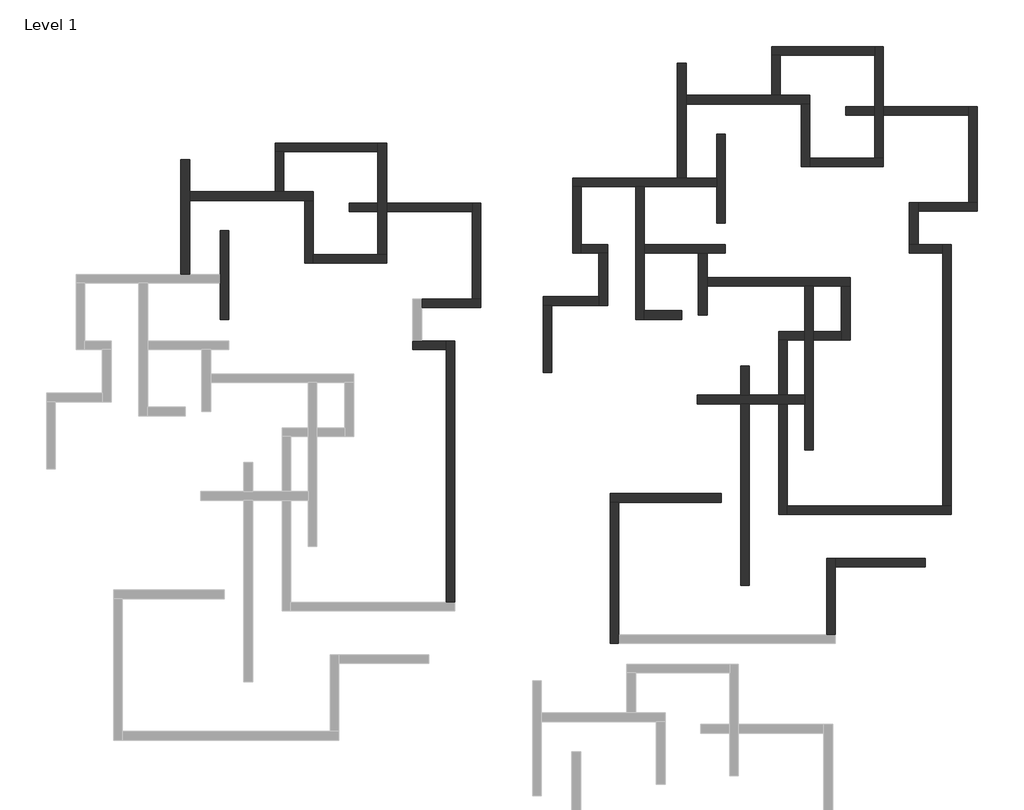
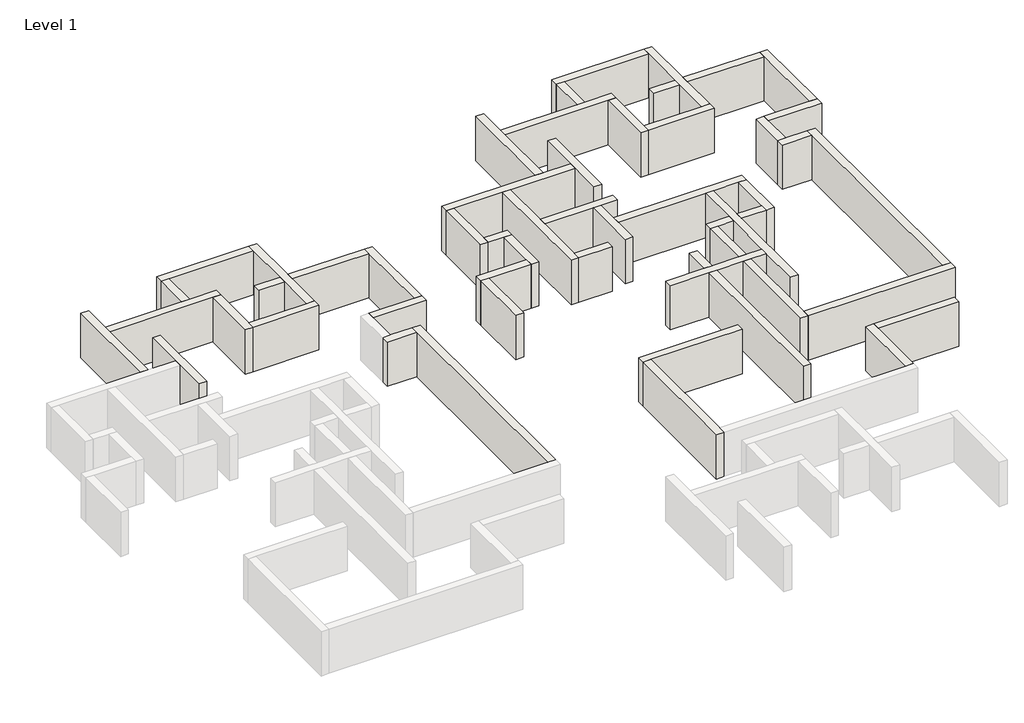
# One storey, part 2 of 2: 49 walls.
"""IFC4 building model written with IfcOpenShell, lengths in millimetres."""

from ifc_helpers import new_model, si_unit, origin, origin_with_axes, place, context, project, spatial, polyline, outline, extrude, faceted_brep, element, save

model = new_model("IFC4")

# Units and contexts
model_context = context("Model", 3, world=origin())
ifc_project = project(units=[si_unit("LENGTHUNIT", "METRE", prefix="MILLI")], contexts=[model_context])

# Site, building, storey
site = spatial("IfcSite", under=ifc_project)
building = spatial("IfcBuilding", under=site)
storey = spatial("IfcBuildingStorey", under=building, Name="Level 1", Elevation=0.0)

# Walls
placement = place(None, origin())
element("IfcWall", 1, ObjectType="Generic - 200mm", at=placement, inside=storey, context=model_context, shape_type="Brep", body=[
    faceted_brep([(-13134.8033404, 18637.4534844, 0.0), (-13134.8033404, 22887.4534844, 0.0), (-13134.8033404, 23387.4534844, 0.0), (-13134.8033404, 25237.4534844, 0.0), (-13134.8033404, 25237.4534844, 3000.0), (-13134.8033404, 23387.4534844, 3000.0), (-13134.8033404, 22887.4534844, 3000.0), (-13134.8033404, 18637.4534844, 3000.0), (-13634.8033404, 18637.4534844, 0.0), (-13634.8033404, 18637.4534844, 3000.0), (-13634.8033404, 25237.4534844, 3000.0), (-13634.8033404, 25237.4534844, 0.0)], [[[0, 1, 2, 3, 4, 5, 6, 7]], [[8, 9, 10, 11]], [[3, 2, 1, 0, 8, 11]], [[4, 3, 11, 10]], [[7, 6, 5, 4, 10, 9]], [[0, 7, 9, 8]]]),
])
element("IfcWall", 2, ObjectType="Generic - 200mm", at=placement, inside=storey, context=model_context, shape_type="Brep", body=[
    faceted_brep([(-13134.8033404, 22887.4534844, 0.0), (-6534.8033404, 22887.4534844, 0.0), (-6034.8033404, 22887.4534844, 0.0), (-6034.8033404, 22887.4534844, 3000.0), (-6534.8033404, 22887.4534844, 3000.0), (-13134.8033404, 22887.4534844, 3000.0), (-13134.8033404, 23387.4534844, 0.0), (-13134.8033404, 23387.4534844, 3000.0), (-8234.8033404, 23387.4534844, 3000.0), (-7734.8033404, 23387.4534844, 3000.0), (-6034.8033404, 23387.4534844, 3000.0), (-6034.8033404, 23387.4534844, 0.0), (-7734.8033404, 23387.4534844, 0.0), (-8234.8033404, 23387.4534844, 0.0)], [[[0, 1, 2, 3, 4, 5]], [[6, 7, 8, 9, 10, 11, 12, 13]], [[2, 1, 0, 6, 13, 12, 11]], [[5, 4, 3, 10, 9, 8, 7]], [[0, 5, 7, 6]], [[3, 2, 11, 10]]]),
])
element("IfcWall", 3, ObjectType="Generic - 200mm", at=placement, inside=storey, context=model_context, shape_type="Brep", body=[
    faceted_brep([(-10884.8033404, 16070.7509089, 0.0), (-10884.8033404, 21170.7509089, 0.0), (-10884.8033404, 21170.7509089, 3000.0), (-10884.8033404, 16070.7509089, 3000.0), (-11384.8033404, 16070.7509089, 0.0), (-11384.8033404, 16070.7509089, 3000.0), (-11384.8033404, 18137.4534844, 3000.0), (-11384.8033404, 18637.4534844, 3000.0), (-11384.8033404, 21170.7509089, 3000.0), (-11384.8033404, 21170.7509089, 0.0), (-11384.8033404, 18637.4534844, 0.0), (-11384.8033404, 18137.4534844, 0.0)], [[[0, 1, 2, 3]], [[4, 5, 6, 7, 8, 9, 10, 11]], [[1, 0, 4, 11, 10, 9]], [[2, 1, 9, 8]], [[3, 2, 8, 7, 6, 5]], [[0, 3, 5, 4]]]),
])
element("IfcWall", 4, ObjectType="Generic - 200mm", at=placement, inside=storey, context=model_context, shape_type="Brep", body=[
    faceted_brep([(-6534.8033404, 22887.4534844, 0.0), (-6534.8033404, 19287.4534844, 0.0), (-6534.8033404, 19287.4534844, 3000.0), (-6534.8033404, 22887.4534844, 3000.0), (-6034.8033404, 22887.4534844, 0.0), (-6034.8033404, 22887.4534844, 3000.0), (-6034.8033404, 19787.4534844, 3000.0), (-6034.8033404, 19287.4534844, 3000.0), (-6034.8033404, 19287.4534844, 0.0), (-6034.8033404, 19787.4534844, 0.0)], [[[0, 1, 2, 3]], [[4, 5, 6, 7, 8, 9]], [[1, 0, 4, 9, 8]], [[3, 2, 7, 6, 5]], [[0, 3, 5, 4]], [[2, 1, 8, 7]]]),
])
element("IfcWall", 5, ObjectType="Generic - 200mm", at=placement, inside=storey, context=model_context, shape_type="Brep", body=[
    faceted_brep([(-6034.8033404, 19287.4534844, 0.0), (-1834.8033404, 19287.4534844, 0.0), (-1834.8033404, 19287.4534844, 3000.0), (-6034.8033404, 19287.4534844, 3000.0), (-6034.8033404, 19787.4534844, 0.0), (-6034.8033404, 19787.4534844, 3000.0), (-2334.8033404, 19787.4534844, 3000.0), (-1834.8033404, 19787.4534844, 3000.0), (-1834.8033404, 19787.4534844, 0.0), (-2334.8033404, 19787.4534844, 0.0)], [[[0, 1, 2, 3]], [[4, 5, 6, 7, 8, 9]], [[1, 0, 4, 9, 8]], [[3, 2, 7, 6, 5]], [[0, 3, 5, 4]], [[2, 1, 8, 7]]]),
])
element("IfcWall", 6, ObjectType="Generic - 200mm", at=placement, inside=storey, context=model_context, shape_type="Brep", body=[
    faceted_brep([(-1834.8033404, 19787.4534844, 0.0), (-1834.8033404, 22237.4534844, 0.0), (-1834.8033404, 22737.4534844, 0.0), (-1834.8033404, 26187.4534844, 0.0), (-1834.8033404, 26187.4534844, 3000.0), (-1834.8033404, 22737.4534844, 3000.0), (-1834.8033404, 22237.4534844, 3000.0), (-1834.8033404, 19787.4534844, 3000.0), (-2334.8033404, 19787.4534844, 0.0), (-2334.8033404, 19787.4534844, 3000.0), (-2334.8033404, 22237.4534844, 3000.0), (-2334.8033404, 22737.4534844, 3000.0), (-2334.8033404, 25687.4534844, 3000.0), (-2334.8033404, 26187.4534844, 3000.0), (-2334.8033404, 26187.4534844, 0.0), (-2334.8033404, 25687.4534844, 0.0), (-2334.8033404, 22737.4534844, 0.0), (-2334.8033404, 22237.4534844, 0.0)], [[[0, 1, 2, 3, 4, 5, 6, 7]], [[8, 9, 10, 11, 12, 13, 14, 15, 16, 17]], [[3, 2, 1, 0, 8, 17, 16, 15, 14]], [[7, 6, 5, 4, 13, 12, 11, 10, 9]], [[0, 7, 9, 8]], [[4, 3, 14, 13]]]),
])
element("IfcWall", 7, ObjectType="Generic - 200mm", at=placement, inside=storey, context=model_context, shape_type="Brep", body=[
    faceted_brep([(-2334.8033404, 26187.4534844, 0.0), (-8234.8033404, 26187.4534844, 0.0), (-8234.8033404, 26187.4534844, 3000.0), (-2334.8033404, 26187.4534844, 3000.0), (-2334.8033404, 25687.4534844, 0.0), (-2334.8033404, 25687.4534844, 3000.0), (-7734.8033404, 25687.4534844, 3000.0), (-8234.8033404, 25687.4534844, 3000.0), (-8234.8033404, 25687.4534844, 0.0), (-7734.8033404, 25687.4534844, 0.0)], [[[0, 1, 2, 3]], [[4, 5, 6, 7, 8, 9]], [[1, 0, 4, 9, 8]], [[3, 2, 7, 6, 5]], [[0, 3, 5, 4]], [[2, 1, 8, 7]]]),
])
element("IfcWall", 8, ObjectType="Generic - 200mm", at=placement, inside=storey, context=model_context, shape_type="SweptSolid", body=[
    extrude(outline(polyline([(-8234.8033404, 23387.4534844), (-8234.8033404, 25687.4534844), (-7734.8033404, 25687.4534844), (-7734.8033404, 23387.4534844), (-8234.8033404, 23387.4534844)])), origin_with_axes(), (0.0, 0.0, 1.0), 3000.0),
])
element("IfcWall", 9, ObjectType="Generic - 200mm", at=placement, inside=storey, context=model_context, shape_type="Brep", body=[
    faceted_brep([(2065.1966596, -162.5465156, 0.0), (2065.1966596, 14837.4534844, 0.0), (2065.1966596, 14837.4534844, 3000.0), (2065.1966596, -162.5465156, 3000.0), (1565.1966596, -162.5465156, 0.0), (1565.1966596, -162.5465156, 3000.0), (1565.1966596, 14337.4534844, 3000.0), (1565.1966596, 14837.4534844, 3000.0), (1565.1966596, 14837.4534844, 0.0), (1565.1966596, 14337.4534844, 0.0)], [[[0, 1, 2, 3]], [[4, 5, 6, 7, 8, 9]], [[1, 0, 4, 9, 8]], [[3, 2, 7, 6, 5]], [[0, 3, 5, 4]], [[2, 1, 8, 7]]]),
])
element("IfcWall", 10, ObjectType="Generic - 200mm", at=placement, inside=storey, context=model_context, shape_type="Brep", body=[
    faceted_brep([(1565.1966596, 14837.4534844, 0.0), (165.1966596, 14837.4534844, 0.0), (-334.8033404, 14837.4534844, 0.0), (-334.8033404, 14837.4534844, 3000.0), (165.1966596, 14837.4534844, 3000.0), (1565.1966596, 14837.4534844, 3000.0), (1565.1966596, 14337.4534844, 0.0), (1565.1966596, 14337.4534844, 3000.0), (-334.8033404, 14337.4534844, 3000.0), (-334.8033404, 14337.4534844, 0.0)], [[[0, 1, 2, 3, 4, 5]], [[6, 7, 8, 9]], [[2, 1, 0, 6, 9]], [[5, 4, 3, 8, 7]], [[0, 5, 7, 6]], [[3, 2, 9, 8]]]),
])
element("IfcWall", 11, ObjectType="Generic - 200mm", at=placement, inside=storey, context=model_context, shape_type="Brep", body=[
    faceted_brep([(165.1966596, 16737.4534844, 0.0), (3565.1966596, 16737.4534844, 0.0), (3565.1966596, 16737.4534844, 3000.0), (165.1966596, 16737.4534844, 3000.0), (165.1966596, 17237.4534844, 0.0), (165.1966596, 17237.4534844, 3000.0), (3065.1966596, 17237.4534844, 3000.0), (3565.1966596, 17237.4534844, 3000.0), (3565.1966596, 17237.4534844, 0.0), (3065.1966596, 17237.4534844, 0.0)], [[[0, 1, 2, 3]], [[4, 5, 6, 7, 8, 9]], [[1, 0, 4, 9, 8]], [[3, 2, 7, 6, 5]], [[0, 3, 5, 4]], [[2, 1, 8, 7]]]),
])
element("IfcWall", 12, ObjectType="Generic - 200mm", at=placement, inside=storey, context=model_context, shape_type="Brep", body=[
    faceted_brep([(3565.1966596, 17237.4534844, 0.0), (3565.1966596, 22737.4534844, 0.0), (3565.1966596, 22737.4534844, 3000.0), (3565.1966596, 17237.4534844, 3000.0), (3065.1966596, 17237.4534844, 0.0), (3065.1966596, 17237.4534844, 3000.0), (3065.1966596, 22237.4534844, 3000.0), (3065.1966596, 22737.4534844, 3000.0), (3065.1966596, 22737.4534844, 0.0), (3065.1966596, 22237.4534844, 0.0)], [[[0, 1, 2, 3]], [[4, 5, 6, 7, 8, 9]], [[1, 0, 4, 9, 8]], [[3, 2, 7, 6, 5]], [[0, 3, 5, 4]], [[2, 1, 8, 7]]]),
])
element("IfcWall", 13, ObjectType="Generic - 200mm", at=placement, inside=storey, context=model_context, shape_type="SweptSolid", body=[
    extrude(outline(polyline([(-3984.8033404, 22237.4534844), (-3984.8033404, 22737.4534844), (-2334.8033404, 22737.4534844), (-2334.8033404, 22237.4534844), (-3984.8033404, 22237.4534844)])), origin_with_axes(), (0.0, 0.0, 1.0), 3000.0),
    extrude(outline(polyline([(3065.1966596, 22737.4534844), (3065.1966596, 22237.4534844), (-1834.8033404, 22237.4534844), (-1834.8033404, 22737.4534844), (3065.1966596, 22737.4534844)])), origin_with_axes(), (0.0, 0.0, 1.0), 3000.0),
])
element("IfcWall", 14, ObjectType="Generic - 200mm", at=placement, inside=storey, context=model_context, shape_type="Brep", body=[
    faceted_brep([(8832.3849796, 23670.9143503, 0.0), (9332.3849796, 23670.9143503, 0.0), (12432.3849796, 23670.9143503, 0.0), (12932.3849796, 23670.9143503, 0.0), (17082.3849796, 23670.9143503, 0.0), (17082.3849796, 23670.9143503, 3000.0), (12932.3849796, 23670.9143503, 3000.0), (12432.3849796, 23670.9143503, 3000.0), (9332.3849796, 23670.9143503, 3000.0), (8832.3849796, 23670.9143503, 3000.0), (8832.3849796, 24170.9143503, 0.0), (8832.3849796, 24170.9143503, 3000.0), (14832.3849796, 24170.9143503, 3000.0), (15332.3849796, 24170.9143503, 3000.0), (17082.3849796, 24170.9143503, 3000.0), (17082.3849796, 24170.9143503, 0.0), (15332.3849796, 24170.9143503, 0.0), (14832.3849796, 24170.9143503, 0.0)], [[[0, 1, 2, 3, 4, 5, 6, 7, 8, 9]], [[10, 11, 12, 13, 14, 15, 16, 17]], [[4, 3, 2, 1, 0, 10, 17, 16, 15]], [[9, 8, 7, 6, 5, 14, 13, 12, 11]], [[0, 9, 11, 10]], [[5, 4, 15, 14]]]),
])
element("IfcWall", 15, ObjectType="Generic - 200mm", at=placement, inside=storey, context=model_context, shape_type="Brep", body=[
    faceted_brep([(12432.3849796, 23670.9143503, 0.0), (12432.3849796, 16070.9143503, 0.0), (12432.3849796, 16070.9143503, 3000.0), (12432.3849796, 23670.9143503, 3000.0), (12932.3849796, 23670.9143503, 0.0), (12932.3849796, 23670.9143503, 3000.0), (12932.3849796, 20370.9143503, 3000.0), (12932.3849796, 19870.9143503, 3000.0), (12932.3849796, 16570.9143503, 3000.0), (12932.3849796, 16070.9143503, 3000.0), (12932.3849796, 16070.9143503, 0.0), (12932.3849796, 16570.9143503, 0.0), (12932.3849796, 19870.9143503, 0.0), (12932.3849796, 20370.9143503, 0.0)], [[[0, 1, 2, 3]], [[4, 5, 6, 7, 8, 9, 10, 11, 12, 13]], [[1, 0, 4, 13, 12, 11, 10]], [[3, 2, 9, 8, 7, 6, 5]], [[0, 3, 5, 4]], [[2, 1, 10, 9]]]),
])
element("IfcWall", 16, ObjectType="Generic - 200mm", at=placement, inside=storey, context=model_context, shape_type="Brep", body=[
    faceted_brep([(12932.3849796, 19870.9143503, 0.0), (16032.3849796, 19870.9143503, 0.0), (16532.3849796, 19870.9143503, 0.0), (17582.3849796, 19870.9143503, 0.0), (17582.3849796, 19870.9143503, 3000.0), (16532.3849796, 19870.9143503, 3000.0), (16032.3849796, 19870.9143503, 3000.0), (12932.3849796, 19870.9143503, 3000.0), (12932.3849796, 20370.9143503, 0.0), (12932.3849796, 20370.9143503, 3000.0), (17582.3849796, 20370.9143503, 3000.0), (17582.3849796, 20370.9143503, 0.0)], [[[0, 1, 2, 3, 4, 5, 6, 7]], [[8, 9, 10, 11]], [[3, 2, 1, 0, 8, 11]], [[4, 3, 11, 10]], [[7, 6, 5, 4, 10, 9]], [[0, 7, 9, 8]]]),
])
element("IfcWall", 17, ObjectType="Generic - 200mm", at=placement, inside=storey, context=model_context, shape_type="Brep", body=[
    faceted_brep([(16032.3849796, 19870.9143503, 0.0), (16032.3849796, 16320.9143503, 0.0), (16032.3849796, 16320.9143503, 3000.0), (16032.3849796, 19870.9143503, 3000.0), (16532.3849796, 19870.9143503, 0.0), (16532.3849796, 19870.9143503, 3000.0), (16532.3849796, 18470.9143503, 3000.0), (16532.3849796, 17970.9143503, 3000.0), (16532.3849796, 16320.9143503, 3000.0), (16532.3849796, 16320.9143503, 0.0), (16532.3849796, 17970.9143503, 0.0), (16532.3849796, 18470.9143503, 0.0)], [[[0, 1, 2, 3]], [[4, 5, 6, 7, 8, 9, 10, 11]], [[1, 0, 4, 11, 10, 9]], [[2, 1, 9, 8]], [[3, 2, 8, 7, 6, 5]], [[0, 3, 5, 4]]]),
])
element("IfcWall", 18, ObjectType="Generic - 200mm", at=placement, inside=storey, context=model_context, shape_type="Brep", body=[
    faceted_brep([(8832.3849796, 23670.9143503, 0.0), (8832.3849796, 19870.9143503, 0.0), (8832.3849796, 19870.9143503, 3000.0), (8832.3849796, 23670.9143503, 3000.0), (9332.3849796, 23670.9143503, 0.0), (9332.3849796, 23670.9143503, 3000.0), (9332.3849796, 20370.9143503, 3000.0), (9332.3849796, 19870.9143503, 3000.0), (9332.3849796, 19870.9143503, 0.0), (9332.3849796, 20370.9143503, 0.0)], [[[0, 1, 2, 3]], [[4, 5, 6, 7, 8, 9]], [[1, 0, 4, 9, 8]], [[3, 2, 7, 6, 5]], [[0, 3, 5, 4]], [[2, 1, 8, 7]]]),
])
element("IfcWall", 19, ObjectType="Generic - 200mm", at=placement, inside=storey, context=model_context, shape_type="Brep", body=[
    faceted_brep([(9332.3849796, 19870.9143503, 0.0), (10332.3849796, 19870.9143503, 0.0), (10832.3849796, 19870.9143503, 0.0), (10832.3849796, 19870.9143503, 3000.0), (10332.3849796, 19870.9143503, 3000.0), (9332.3849796, 19870.9143503, 3000.0), (9332.3849796, 20370.9143503, 0.0), (9332.3849796, 20370.9143503, 3000.0), (10832.3849796, 20370.9143503, 3000.0), (10832.3849796, 20370.9143503, 0.0)], [[[0, 1, 2, 3, 4, 5]], [[6, 7, 8, 9]], [[2, 1, 0, 6, 9]], [[5, 4, 3, 8, 7]], [[0, 5, 7, 6]], [[3, 2, 9, 8]]]),
])
element("IfcWall", 20, ObjectType="Generic - 200mm", at=placement, inside=storey, context=model_context, shape_type="Brep", body=[
    faceted_brep([(10332.3849796, 19870.9143503, 0.0), (10332.3849796, 17370.9143503, 0.0), (10332.3849796, 16870.9143503, 0.0), (10332.3849796, 16870.9143503, 3000.0), (10332.3849796, 17370.9143503, 3000.0), (10332.3849796, 19870.9143503, 3000.0), (10832.3849796, 19870.9143503, 0.0), (10832.3849796, 19870.9143503, 3000.0), (10832.3849796, 16870.9143503, 3000.0), (10832.3849796, 16870.9143503, 0.0)], [[[0, 1, 2, 3, 4, 5]], [[6, 7, 8, 9]], [[2, 1, 0, 6, 9]], [[5, 4, 3, 8, 7]], [[0, 5, 7, 6]], [[3, 2, 9, 8]]]),
])
element("IfcWall", 21, ObjectType="Generic - 200mm", at=placement, inside=storey, context=model_context, shape_type="Brep", body=[
    faceted_brep([(10332.3849796, 17370.9143503, 0.0), (7132.3849796, 17370.9143503, 0.0), (7132.3849796, 17370.9143503, 3000.0), (10332.3849796, 17370.9143503, 3000.0), (10332.3849796, 16870.9143503, 0.0), (10332.3849796, 16870.9143503, 3000.0), (7632.3849796, 16870.9143503, 3000.0), (7132.3849796, 16870.9143503, 3000.0), (7132.3849796, 16870.9143503, 0.0), (7632.3849796, 16870.9143503, 0.0)], [[[0, 1, 2, 3]], [[4, 5, 6, 7, 8, 9]], [[1, 0, 4, 9, 8]], [[3, 2, 7, 6, 5]], [[0, 3, 5, 4]], [[2, 1, 8, 7]]]),
])
element("IfcWall", 22, ObjectType="Generic - 200mm", at=placement, inside=storey, context=model_context, shape_type="SweptSolid", body=[
    extrude(outline(polyline([(7132.3849796, 13020.9143503), (7132.3849796, 16870.9143503), (7632.3849796, 16870.9143503), (7632.3849796, 13020.9143503), (7132.3849796, 13020.9143503)])), origin_with_axes(), (0.0, 0.0, 1.0), 3000.0),
])
element("IfcWall", 23, ObjectType="Generic - 200mm", at=placement, inside=storey, context=model_context, shape_type="SweptSolid", body=[
    extrude(outline(polyline([(15082.3849796, 16070.9143503), (12932.3849796, 16070.9143503), (12932.3849796, 16570.9143503), (15082.3849796, 16570.9143503), (15082.3849796, 16070.9143503)])), origin_with_axes(), (0.0, 0.0, 1.0), 3000.0),
])
element("IfcWall", 24, ObjectType="Generic - 200mm", at=placement, inside=storey, context=model_context, shape_type="Brep", body=[
    faceted_brep([(16532.3849796, 17970.9143503, 0.0), (22132.3849796, 17970.9143503, 0.0), (22632.3849796, 17970.9143503, 0.0), (24232.3849796, 17970.9143503, 0.0), (24732.3849796, 17970.9143503, 0.0), (24732.3849796, 17970.9143503, 3000.0), (24232.3849796, 17970.9143503, 3000.0), (22632.3849796, 17970.9143503, 3000.0), (22132.3849796, 17970.9143503, 3000.0), (16532.3849796, 17970.9143503, 3000.0), (16532.3849796, 18470.9143503, 0.0), (16532.3849796, 18470.9143503, 3000.0), (24732.3849796, 18470.9143503, 3000.0), (24732.3849796, 18470.9143503, 0.0)], [[[0, 1, 2, 3, 4, 5, 6, 7, 8, 9]], [[10, 11, 12, 13]], [[4, 3, 2, 1, 0, 10, 13]], [[9, 8, 7, 6, 5, 12, 11]], [[0, 9, 11, 10]], [[5, 4, 13, 12]]]),
])
element("IfcWall", 25, ObjectType="Generic - 200mm", at=placement, inside=storey, context=model_context, shape_type="Brep", body=[
    faceted_brep([(22132.3849796, 17970.9143503, 0.0), (22132.3849796, 15370.9143503, 0.0), (22132.3849796, 14870.9143503, 0.0), (22132.3849796, 11720.9143503, 0.0), (22132.3849796, 11220.9143503, 0.0), (22132.3849796, 8570.9143503, 0.0), (22132.3849796, 8570.9143503, 3000.0), (22132.3849796, 11220.9143503, 3000.0), (22132.3849796, 11720.9143503, 3000.0), (22132.3849796, 14870.9143503, 3000.0), (22132.3849796, 15370.9143503, 3000.0), (22132.3849796, 17970.9143503, 3000.0), (22632.3849796, 17970.9143503, 0.0), (22632.3849796, 17970.9143503, 3000.0), (22632.3849796, 15370.9143503, 3000.0), (22632.3849796, 14870.9143503, 3000.0), (22632.3849796, 8570.9143503, 3000.0), (22632.3849796, 8570.9143503, 0.0), (22632.3849796, 14870.9143503, 0.0), (22632.3849796, 15370.9143503, 0.0)], [[[0, 1, 2, 3, 4, 5, 6, 7, 8, 9, 10, 11]], [[12, 13, 14, 15, 16, 17, 18, 19]], [[5, 4, 3, 2, 1, 0, 12, 19, 18, 17]], [[6, 5, 17, 16]], [[11, 10, 9, 8, 7, 6, 16, 15, 14, 13]], [[0, 11, 13, 12]]]),
])
element("IfcWall", 26, ObjectType="Generic - 200mm", at=placement, inside=storey, context=model_context, shape_type="Brep", body=[
    faceted_brep([(22132.3849796, 11720.9143503, 0.0), (21132.3849796, 11720.9143503, 0.0), (20632.3849796, 11720.9143503, 0.0), (18951.9708687, 11720.9143503, 0.0), (18451.9708687, 11720.9143503, 0.0), (15982.3849796, 11720.9143503, 0.0), (15982.3849796, 11720.9143503, 3000.0), (18451.9708687, 11720.9143503, 3000.0), (18951.9708687, 11720.9143503, 3000.0), (20632.3849796, 11720.9143503, 3000.0), (21132.3849796, 11720.9143503, 3000.0), (22132.3849796, 11720.9143503, 3000.0), (22132.3849796, 11220.9143503, 0.0), (22132.3849796, 11220.9143503, 3000.0), (21132.3849796, 11220.9143503, 3000.0), (20632.3849796, 11220.9143503, 3000.0), (18951.9708687, 11220.9143503, 3000.0), (18451.9708687, 11220.9143503, 3000.0), (15982.3849796, 11220.9143503, 3000.0), (15982.3849796, 11220.9143503, 0.0), (18451.9708687, 11220.9143503, 0.0), (18951.9708687, 11220.9143503, 0.0), (20632.3849796, 11220.9143503, 0.0), (21132.3849796, 11220.9143503, 0.0)], [[[0, 1, 2, 3, 4, 5, 6, 7, 8, 9, 10, 11]], [[12, 13, 14, 15, 16, 17, 18, 19, 20, 21, 22, 23]], [[5, 4, 3, 2, 1, 0, 12, 23, 22, 21, 20, 19]], [[6, 5, 19, 18]], [[11, 10, 9, 8, 7, 6, 18, 17, 16, 15, 14, 13]], [[0, 11, 13, 12]]]),
])
element("IfcWall", 27, ObjectType="Generic - 200mm", at=placement, inside=storey, context=model_context, shape_type="Brep", body=[
    faceted_brep([(15332.3849796, 24170.9143503, 0.0), (15332.3849796, 28420.9143503, 0.0), (15332.3849796, 28920.9143503, 0.0), (15332.3849796, 30770.9143503, 0.0), (15332.3849796, 30770.9143503, 3000.0), (15332.3849796, 28920.9143503, 3000.0), (15332.3849796, 28420.9143503, 3000.0), (15332.3849796, 24170.9143503, 3000.0), (14832.3849796, 24170.9143503, 0.0), (14832.3849796, 24170.9143503, 3000.0), (14832.3849796, 30770.9143503, 3000.0), (14832.3849796, 30770.9143503, 0.0)], [[[0, 1, 2, 3, 4, 5, 6, 7]], [[8, 9, 10, 11]], [[3, 2, 1, 0, 8, 11]], [[4, 3, 11, 10]], [[7, 6, 5, 4, 10, 9]], [[0, 7, 9, 8]]]),
])
element("IfcWall", 28, ObjectType="Generic - 200mm", at=placement, inside=storey, context=model_context, shape_type="Brep", body=[
    faceted_brep([(15332.3849796, 28420.9143503, 0.0), (21932.3849796, 28420.9143503, 0.0), (22432.3849796, 28420.9143503, 0.0), (22432.3849796, 28420.9143503, 3000.0), (21932.3849796, 28420.9143503, 3000.0), (15332.3849796, 28420.9143503, 3000.0), (15332.3849796, 28920.9143503, 0.0), (15332.3849796, 28920.9143503, 3000.0), (20232.3849796, 28920.9143503, 3000.0), (20732.3849796, 28920.9143503, 3000.0), (22432.3849796, 28920.9143503, 3000.0), (22432.3849796, 28920.9143503, 0.0), (20732.3849796, 28920.9143503, 0.0), (20232.3849796, 28920.9143503, 0.0)], [[[0, 1, 2, 3, 4, 5]], [[6, 7, 8, 9, 10, 11, 12, 13]], [[2, 1, 0, 6, 13, 12, 11]], [[5, 4, 3, 10, 9, 8, 7]], [[0, 5, 7, 6]], [[3, 2, 11, 10]]]),
])
element("IfcWall", 29, ObjectType="Generic - 200mm", at=placement, inside=storey, context=model_context, shape_type="Brep", body=[
    faceted_brep([(17582.3849796, 21604.2117749, 0.0), (17582.3849796, 26704.2117749, 0.0), (17582.3849796, 26704.2117749, 3000.0), (17582.3849796, 21604.2117749, 3000.0), (17082.3849796, 21604.2117749, 0.0), (17082.3849796, 21604.2117749, 3000.0), (17082.3849796, 23670.9143503, 3000.0), (17082.3849796, 24170.9143503, 3000.0), (17082.3849796, 26704.2117749, 3000.0), (17082.3849796, 26704.2117749, 0.0), (17082.3849796, 24170.9143503, 0.0), (17082.3849796, 23670.9143503, 0.0)], [[[0, 1, 2, 3]], [[4, 5, 6, 7, 8, 9, 10, 11]], [[1, 0, 4, 11, 10, 9]], [[2, 1, 9, 8]], [[3, 2, 8, 7, 6, 5]], [[0, 3, 5, 4]]]),
])
element("IfcWall", 30, ObjectType="Generic - 200mm", at=placement, inside=storey, context=model_context, shape_type="SweptSolid", body=[
    extrude(outline(polyline([(18951.9708687, 798.0003058), (18451.9708687, 798.0003058), (18451.9708687, 11220.9143503), (18951.9708687, 11220.9143503), (18951.9708687, 798.0003058)])), origin_with_axes(), (0.0, 0.0, 1.0), 3000.0),
    extrude(outline(polyline([(18451.9708687, 13398.0003058), (18951.9708687, 13398.0003058), (18951.9708687, 11720.9143503), (18451.9708687, 11720.9143503), (18451.9708687, 13398.0003058)])), origin_with_axes(), (0.0, 0.0, 1.0), 3000.0),
])
element("IfcWall", 31, ObjectType="Generic - 200mm", at=placement, inside=storey, context=model_context, shape_type="Brep", body=[
    faceted_brep([(21932.3849796, 28420.9143503, 0.0), (21932.3849796, 24820.9143503, 0.0), (21932.3849796, 24820.9143503, 3000.0), (21932.3849796, 28420.9143503, 3000.0), (22432.3849796, 28420.9143503, 0.0), (22432.3849796, 28420.9143503, 3000.0), (22432.3849796, 25320.9143503, 3000.0), (22432.3849796, 24820.9143503, 3000.0), (22432.3849796, 24820.9143503, 0.0), (22432.3849796, 25320.9143503, 0.0)], [[[0, 1, 2, 3]], [[4, 5, 6, 7, 8, 9]], [[1, 0, 4, 9, 8]], [[3, 2, 7, 6, 5]], [[0, 3, 5, 4]], [[2, 1, 8, 7]]]),
])
element("IfcWall", 32, ObjectType="Generic - 200mm", at=placement, inside=storey, context=model_context, shape_type="Brep", body=[
    faceted_brep([(22432.3849796, 24820.9143503, 0.0), (26632.3849796, 24820.9143503, 0.0), (26632.3849796, 24820.9143503, 3000.0), (22432.3849796, 24820.9143503, 3000.0), (22432.3849796, 25320.9143503, 0.0), (22432.3849796, 25320.9143503, 3000.0), (26132.3849796, 25320.9143503, 3000.0), (26632.3849796, 25320.9143503, 3000.0), (26632.3849796, 25320.9143503, 0.0), (26132.3849796, 25320.9143503, 0.0)], [[[0, 1, 2, 3]], [[4, 5, 6, 7, 8, 9]], [[1, 0, 4, 9, 8]], [[3, 2, 7, 6, 5]], [[0, 3, 5, 4]], [[2, 1, 8, 7]]]),
])
element("IfcWall", 33, ObjectType="Generic - 200mm", at=placement, inside=storey, context=model_context, shape_type="Brep", body=[
    faceted_brep([(26632.3849796, 25320.9143503, 0.0), (26632.3849796, 27770.9143503, 0.0), (26632.3849796, 28270.9143503, 0.0), (26632.3849796, 31720.9143503, 0.0), (26632.3849796, 31720.9143503, 3000.0), (26632.3849796, 28270.9143503, 3000.0), (26632.3849796, 27770.9143503, 3000.0), (26632.3849796, 25320.9143503, 3000.0), (26132.3849796, 25320.9143503, 0.0), (26132.3849796, 25320.9143503, 3000.0), (26132.3849796, 27770.9143503, 3000.0), (26132.3849796, 28270.9143503, 3000.0), (26132.3849796, 31220.9143503, 3000.0), (26132.3849796, 31720.9143503, 3000.0), (26132.3849796, 31720.9143503, 0.0), (26132.3849796, 31220.9143503, 0.0), (26132.3849796, 28270.9143503, 0.0), (26132.3849796, 27770.9143503, 0.0)], [[[0, 1, 2, 3, 4, 5, 6, 7]], [[8, 9, 10, 11, 12, 13, 14, 15, 16, 17]], [[3, 2, 1, 0, 8, 17, 16, 15, 14]], [[7, 6, 5, 4, 13, 12, 11, 10, 9]], [[0, 7, 9, 8]], [[4, 3, 14, 13]]]),
])
element("IfcWall", 34, ObjectType="Generic - 200mm", at=placement, inside=storey, context=model_context, shape_type="Brep", body=[
    faceted_brep([(26132.3849796, 31720.9143503, 0.0), (20232.3849796, 31720.9143503, 0.0), (20232.3849796, 31720.9143503, 3000.0), (26132.3849796, 31720.9143503, 3000.0), (26132.3849796, 31220.9143503, 0.0), (26132.3849796, 31220.9143503, 3000.0), (20732.3849796, 31220.9143503, 3000.0), (20232.3849796, 31220.9143503, 3000.0), (20232.3849796, 31220.9143503, 0.0), (20732.3849796, 31220.9143503, 0.0)], [[[0, 1, 2, 3]], [[4, 5, 6, 7, 8, 9]], [[1, 0, 4, 9, 8]], [[3, 2, 7, 6, 5]], [[0, 3, 5, 4]], [[2, 1, 8, 7]]]),
])
element("IfcWall", 35, ObjectType="Generic - 200mm", at=placement, inside=storey, context=model_context, shape_type="SweptSolid", body=[
    extrude(outline(polyline([(20232.3849796, 28920.9143503), (20232.3849796, 31220.9143503), (20732.3849796, 31220.9143503), (20732.3849796, 28920.9143503), (20232.3849796, 28920.9143503)])), origin_with_axes(), (0.0, 0.0, 1.0), 3000.0),
])
element("IfcWall", 36, ObjectType="Generic - 200mm", at=placement, inside=storey, context=model_context, shape_type="Brep", body=[
    faceted_brep([(24232.3849796, 17970.9143503, 0.0), (24232.3849796, 15370.9143503, 0.0), (24232.3849796, 14870.9143503, 0.0), (24232.3849796, 14870.9143503, 3000.0), (24232.3849796, 15370.9143503, 3000.0), (24232.3849796, 17970.9143503, 3000.0), (24732.3849796, 17970.9143503, 0.0), (24732.3849796, 17970.9143503, 3000.0), (24732.3849796, 14870.9143503, 3000.0), (24732.3849796, 14870.9143503, 0.0)], [[[0, 1, 2, 3, 4, 5]], [[6, 7, 8, 9]], [[2, 1, 0, 6, 9]], [[5, 4, 3, 8, 7]], [[0, 5, 7, 6]], [[3, 2, 9, 8]]]),
])
element("IfcWall", 37, ObjectType="Generic - 200mm", at=placement, inside=storey, context=model_context, shape_type="Brep", body=[
    faceted_brep([(24232.3849796, 15370.9143503, 3000.0), (24232.3849796, 15370.9143503, 0.0), (22632.3849796, 15370.9143503, 0.0), (22632.3849796, 15370.9143503, 3000.0), (24232.3849796, 14870.9143503, 0.0), (24232.3849796, 14870.9143503, 3000.0), (22632.3849796, 14870.9143503, 3000.0), (22632.3849796, 14870.9143503, 0.0)], [[[0, 1, 2, 3]], [[4, 5, 6, 7]], [[1, 4, 7, 2]], [[5, 0, 3, 6]], [[1, 0, 5, 4]], [[3, 2, 7, 6]]]),
    faceted_brep([(20632.3849796, 15370.9143503, 0.0), (20632.3849796, 15370.9143503, 3000.0), (22132.3849796, 15370.9143503, 3000.0), (22132.3849796, 15370.9143503, 0.0), (20632.3849796, 14870.9143503, 3000.0), (20632.3849796, 14870.9143503, 0.0), (21132.3849796, 14870.9143503, 0.0), (22132.3849796, 14870.9143503, 0.0), (22132.3849796, 14870.9143503, 3000.0), (21132.3849796, 14870.9143503, 3000.0)], [[[0, 1, 2, 3]], [[4, 5, 6, 7, 8, 9]], [[5, 0, 3, 7, 6]], [[1, 4, 9, 8, 2]], [[3, 2, 8, 7]], [[1, 0, 5, 4]]]),
])
element("IfcWall", 38, ObjectType="Generic - 200mm", at=placement, inside=storey, context=model_context, shape_type="Brep", body=[
    faceted_brep([(20632.3849796, 14870.9143503, 3000.0), (20632.3849796, 14870.9143503, 0.0), (20632.3849796, 11720.9143503, 0.0), (20632.3849796, 11720.9143503, 3000.0), (21132.3849796, 14870.9143503, 0.0), (21132.3849796, 14870.9143503, 3000.0), (21132.3849796, 11720.9143503, 3000.0), (21132.3849796, 11720.9143503, 0.0)], [[[0, 1, 2, 3]], [[4, 5, 6, 7]], [[1, 4, 7, 2]], [[5, 0, 3, 6]], [[1, 0, 5, 4]], [[3, 2, 7, 6]]]),
    faceted_brep([(20632.3849796, 4870.9143503, 0.0), (20632.3849796, 4870.9143503, 3000.0), (20632.3849796, 11220.9143503, 3000.0), (20632.3849796, 11220.9143503, 0.0), (21132.3849796, 4870.9143503, 3000.0), (21132.3849796, 4870.9143503, 0.0), (21132.3849796, 5370.9143503, 0.0), (21132.3849796, 11220.9143503, 0.0), (21132.3849796, 11220.9143503, 3000.0), (21132.3849796, 5370.9143503, 3000.0)], [[[0, 1, 2, 3]], [[4, 5, 6, 7, 8, 9]], [[5, 0, 3, 7, 6]], [[1, 4, 9, 8, 2]], [[3, 2, 8, 7]], [[1, 0, 5, 4]]]),
])
element("IfcWall", 39, ObjectType="Generic - 200mm", at=placement, inside=storey, context=model_context, shape_type="Brep", body=[
    faceted_brep([(21132.3849796, 4870.9143503, 0.0), (30532.3849796, 4870.9143503, 0.0), (30532.3849796, 4870.9143503, 3000.0), (21132.3849796, 4870.9143503, 3000.0), (21132.3849796, 5370.9143503, 0.0), (21132.3849796, 5370.9143503, 3000.0), (30032.3849796, 5370.9143503, 3000.0), (30532.3849796, 5370.9143503, 3000.0), (30532.3849796, 5370.9143503, 0.0), (30032.3849796, 5370.9143503, 0.0)], [[[0, 1, 2, 3]], [[4, 5, 6, 7, 8, 9]], [[1, 0, 4, 9, 8]], [[3, 2, 7, 6, 5]], [[0, 3, 5, 4]], [[2, 1, 8, 7]]]),
])
element("IfcWall", 40, ObjectType="Generic - 200mm", at=placement, inside=storey, context=model_context, shape_type="Brep", body=[
    faceted_brep([(30532.3849796, 5370.9143503, 0.0), (30532.3849796, 20370.9143503, 0.0), (30532.3849796, 20370.9143503, 3000.0), (30532.3849796, 5370.9143503, 3000.0), (30032.3849796, 5370.9143503, 0.0), (30032.3849796, 5370.9143503, 3000.0), (30032.3849796, 19870.9143503, 3000.0), (30032.3849796, 20370.9143503, 3000.0), (30032.3849796, 20370.9143503, 0.0), (30032.3849796, 19870.9143503, 0.0)], [[[0, 1, 2, 3]], [[4, 5, 6, 7, 8, 9]], [[1, 0, 4, 9, 8]], [[3, 2, 7, 6, 5]], [[0, 3, 5, 4]], [[2, 1, 8, 7]]]),
])
element("IfcWall", 41, ObjectType="Generic - 200mm", at=placement, inside=storey, context=model_context, shape_type="Brep", body=[
    faceted_brep([(30032.3849796, 20370.9143503, 0.0), (28632.3849796, 20370.9143503, 0.0), (28132.3849796, 20370.9143503, 0.0), (28132.3849796, 20370.9143503, 3000.0), (28632.3849796, 20370.9143503, 3000.0), (30032.3849796, 20370.9143503, 3000.0), (30032.3849796, 19870.9143503, 0.0), (30032.3849796, 19870.9143503, 3000.0), (28132.3849796, 19870.9143503, 3000.0), (28132.3849796, 19870.9143503, 0.0)], [[[0, 1, 2, 3, 4, 5]], [[6, 7, 8, 9]], [[2, 1, 0, 6, 9]], [[5, 4, 3, 8, 7]], [[0, 5, 7, 6]], [[3, 2, 9, 8]]]),
])
element("IfcWall", 42, ObjectType="Generic - 200mm", at=placement, inside=storey, context=model_context, shape_type="Brep", body=[
    faceted_brep([(28632.3849796, 20370.9143503, 0.0), (28632.3849796, 22270.9143503, 0.0), (28632.3849796, 22770.9143503, 0.0), (28632.3849796, 22770.9143503, 3000.0), (28632.3849796, 22270.9143503, 3000.0), (28632.3849796, 20370.9143503, 3000.0), (28132.3849796, 20370.9143503, 0.0), (28132.3849796, 20370.9143503, 3000.0), (28132.3849796, 22770.9143503, 3000.0), (28132.3849796, 22770.9143503, 0.0)], [[[0, 1, 2, 3, 4, 5]], [[6, 7, 8, 9]], [[2, 1, 0, 6, 9]], [[5, 4, 3, 8, 7]], [[0, 5, 7, 6]], [[3, 2, 9, 8]]]),
])
element("IfcWall", 43, ObjectType="Generic - 200mm", at=placement, inside=storey, context=model_context, shape_type="Brep", body=[
    faceted_brep([(28632.3849796, 22270.9143503, 0.0), (32032.3849796, 22270.9143503, 0.0), (32032.3849796, 22270.9143503, 3000.0), (28632.3849796, 22270.9143503, 3000.0), (28632.3849796, 22770.9143503, 0.0), (28632.3849796, 22770.9143503, 3000.0), (31532.3849796, 22770.9143503, 3000.0), (32032.3849796, 22770.9143503, 3000.0), (32032.3849796, 22770.9143503, 0.0), (31532.3849796, 22770.9143503, 0.0)], [[[0, 1, 2, 3]], [[4, 5, 6, 7, 8, 9]], [[1, 0, 4, 9, 8]], [[3, 2, 7, 6, 5]], [[0, 3, 5, 4]], [[2, 1, 8, 7]]]),
])
element("IfcWall", 44, ObjectType="Generic - 200mm", at=placement, inside=storey, context=model_context, shape_type="Brep", body=[
    faceted_brep([(32032.3849796, 22770.9143503, 0.0), (32032.3849796, 28270.9143503, 0.0), (32032.3849796, 28270.9143503, 3000.0), (32032.3849796, 22770.9143503, 3000.0), (31532.3849796, 22770.9143503, 0.0), (31532.3849796, 22770.9143503, 3000.0), (31532.3849796, 27770.9143503, 3000.0), (31532.3849796, 28270.9143503, 3000.0), (31532.3849796, 28270.9143503, 0.0), (31532.3849796, 27770.9143503, 0.0)], [[[0, 1, 2, 3]], [[4, 5, 6, 7, 8, 9]], [[1, 0, 4, 9, 8]], [[3, 2, 7, 6, 5]], [[0, 3, 5, 4]], [[2, 1, 8, 7]]]),
])
element("IfcWall", 45, ObjectType="Generic - 200mm", at=placement, inside=storey, context=model_context, shape_type="SweptSolid", body=[
    extrude(outline(polyline([(24482.3849796, 27770.9143503), (24482.3849796, 28270.9143503), (26132.3849796, 28270.9143503), (26132.3849796, 27770.9143503), (24482.3849796, 27770.9143503)])), origin_with_axes(), (0.0, 0.0, 1.0), 3000.0),
    extrude(outline(polyline([(31532.3849796, 28270.9143503), (31532.3849796, 27770.9143503), (26632.3849796, 27770.9143503), (26632.3849796, 28270.9143503), (31532.3849796, 28270.9143503)])), origin_with_axes(), (0.0, 0.0, 1.0), 3000.0),
])
element("IfcWall", 46, ObjectType="Generic - 200mm", at=placement, inside=storey, context=model_context, shape_type="Brep", body=[
    faceted_brep([(17332.3849796, 6070.9143503, 0.0), (10982.3849796, 6070.9143503, 0.0), (10982.3849796, 6070.9143503, 3000.0), (17332.3849796, 6070.9143503, 3000.0), (17332.3849796, 5570.9143503, 0.0), (17332.3849796, 5570.9143503, 3000.0), (11482.3849796, 5570.9143503, 3000.0), (10982.3849796, 5570.9143503, 3000.0), (10982.3849796, 5570.9143503, 0.0), (11482.3849796, 5570.9143503, 0.0)], [[[0, 1, 2, 3]], [[4, 5, 6, 7, 8, 9]], [[1, 0, 4, 9, 8]], [[3, 2, 7, 6, 5]], [[0, 3, 5, 4]], [[2, 1, 8, 7]]]),
])
element("IfcWall", 47, ObjectType="Generic - 200mm", at=placement, inside=storey, context=model_context, shape_type="Brep", body=[
    faceted_brep([(10982.3849796, 5570.9143503, 0.0), (10982.3849796, -2529.0856497, 0.0), (10982.3849796, -2529.0856497, 3000.0), (10982.3849796, 5570.9143503, 3000.0), (11482.3849796, 5570.9143503, 0.0), (11482.3849796, 5570.9143503, 3000.0), (11482.3849796, -2029.0856497, 3000.0), (11482.3849796, -2529.0856497, 3000.0), (11482.3849796, -2529.0856497, 0.0), (11482.3849796, -2029.0856497, 0.0)], [[[0, 1, 2, 3]], [[4, 5, 6, 7, 8, 9]], [[1, 0, 4, 9, 8]], [[3, 2, 7, 6, 5]], [[0, 3, 5, 4]], [[2, 1, 8, 7]]]),
])
element("IfcWall", 48, ObjectType="Generic - 200mm", at=placement, inside=storey, context=model_context, shape_type="Brep", body=[
    faceted_brep([(23882.3849796, -2029.0856497, 0.0), (23882.3849796, 1870.9143503, 0.0), (23882.3849796, 2370.9143503, 0.0), (23882.3849796, 2370.9143503, 3000.0), (23882.3849796, 1870.9143503, 3000.0), (23882.3849796, -2029.0856497, 3000.0), (23382.3849796, -2029.0856497, 0.0), (23382.3849796, -2029.0856497, 3000.0), (23382.3849796, 2370.9143503, 3000.0), (23382.3849796, 2370.9143503, 0.0)], [[[0, 1, 2, 3, 4, 5]], [[6, 7, 8, 9]], [[2, 1, 0, 6, 9]], [[5, 4, 3, 8, 7]], [[0, 5, 7, 6]], [[3, 2, 9, 8]]]),
])
element("IfcWall", 49, ObjectType="Generic - 200mm", at=placement, inside=storey, context=model_context, shape_type="SweptSolid", body=[
    extrude(outline(polyline([(29032.3849796, 1870.9143503), (23882.3849796, 1870.9143503), (23882.3849796, 2370.9143503), (29032.3849796, 2370.9143503), (29032.3849796, 1870.9143503)])), origin_with_axes(), (0.0, 0.0, 1.0), 3000.0),
])

save(model, "model.ifc")
